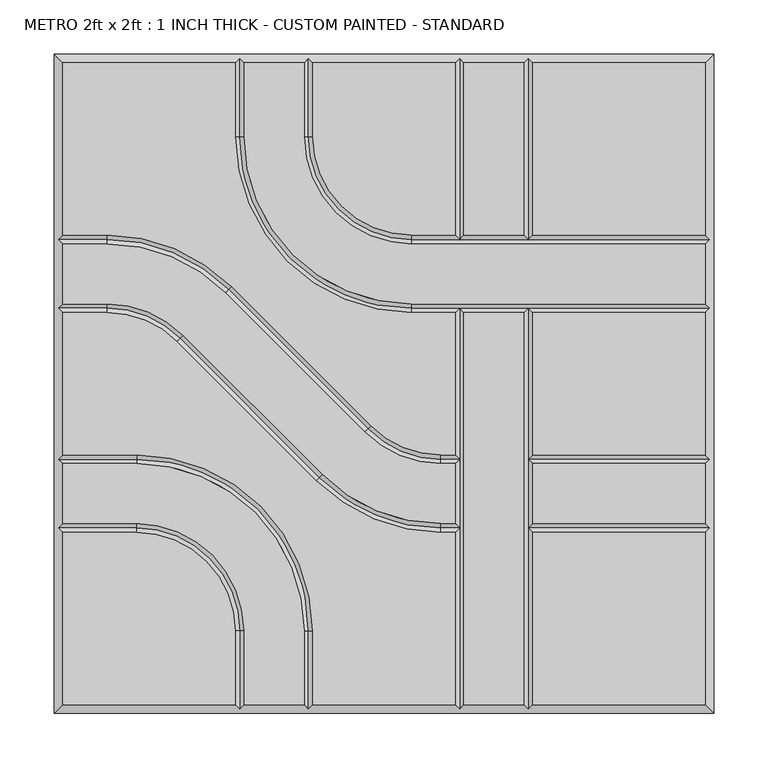
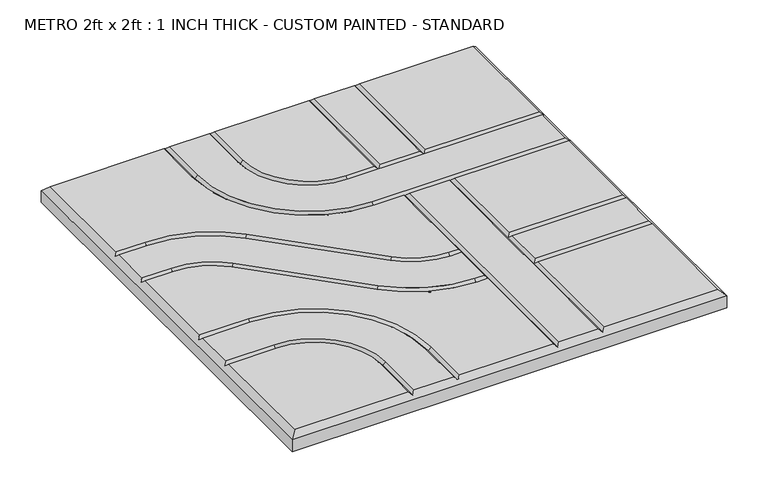
"""IFC4 building model written with IfcOpenShell, lengths in millimetres: proxy geometry, METRO 2ft x 2ft : 1 INCH THICK - CUSTOM PAINTED - STANDARD."""

from ifc_helpers import new_model, si_unit, frame, origin, place, context, project, spatial, polyline, circle_curve, source, transform, mapped, element, save
from ifc_brep_helpers import plane_surface, revolved_surface, advanced_brep


def metro_2ft_x_2ft_1_inch_thick_custom_painted_standard_62d1e21c(model_context):
    return source(origin(), model_context, "Body", "AdvancedBrep", [
        advanced_brep(
        [(-296.799, 296.799, 25.4), (-296.799, 137.3505125, 25.4), (-255.8081898, 137.3505125, 25.4), (-140.7286116, 89.6843987, 25.4), (-11.9143433, -39.124488, 25.4), (52.607449, -65.8495, 25.4), (65.8495, -65.8495, 25.4), (65.8495, 65.8494982, 25.4), (25.3995376, 65.8494982, 25.4), (-137.3509624, 228.5999982, 25.4), (-137.3509624, 296.799, 25.4), (296.799, 137.3504983, 25.4), (296.799, 296.799, 25.4), (137.3504989, 296.799, 25.4), (137.3504989, 137.3504983, 25.4), (-296.799, -137.3504992, 25.4), (-296.799, -296.799, 25.4), (-137.3505299, -296.799, 25.4), (-137.3505299, -228.5999992, 25.4), (-228.6000299, -137.3504992, 25.4), (137.3505, -296.799, 25.4), (296.799, -296.799, 25.4), (296.799, -137.3505, 25.4), (137.3505, -137.3505, 25.4), (52.607449, -73.8505, 25.4), (-17.5717865, -44.7821676, 25.4), (-146.3860548, 84.0267191, 25.4), (-255.8081898, 129.3495125, 25.4), (-296.799, 129.3495125, 25.4), (-296.799, 73.8505125, 25.4), (-255.8074396, 73.8505125, 25.4), (-185.6278585, 44.7818346, 25.4), (-56.8157432, -84.0261678, 25.4), (52.6069307, -129.3495, 25.4), (65.8495, -129.3495, 25.4), (65.8495, -73.8505, 25.4), (52.6069307, -137.3505, 25.4), (-62.4732142, -89.6838195, 25.4), (-191.2853295, 39.1241829, 25.4), (-255.8074396, 65.8495125, 25.4), (-296.799, 65.8495125, 25.4), (-296.799, -65.8494992, 25.4), (-228.6000171, -65.8494992, 25.4), (-65.8495171, -228.5999992, 25.4), (-65.8495171, -296.799, 25.4), (65.8495, -296.799, 25.4), (65.8495, -137.3505, 25.4), (-129.3495299, -228.5999992, 25.4), (-129.3495299, -296.799, 25.4), (-73.8505171, -296.799, 25.4), (-73.8505171, -228.5999992, 25.4), (-228.6000171, -73.8504992, 25.4), (-296.799, -73.8504992, 25.4), (-296.799, -129.3494992, 25.4), (-228.6000299, -129.3494992, 25.4), (-129.3499624, 296.799, 25.4), (-129.3499624, 228.5999982, 25.4), (25.3995376, 73.8504982, 25.4), (296.799, 73.8504982, 25.4), (296.799, 129.3494983, 25.4), (25.3995504, 129.3494983, 25.4), (-73.8509496, 228.5999983, 25.4), (-73.8509496, 296.799, 25.4), (-65.8499496, 296.799, 25.4), (-65.8499496, 228.5999983, 25.4), (25.3995504, 137.3504983, 25.4), (65.8494989, 137.3504983, 25.4), (65.8494989, 296.799, 25.4), (73.8504989, 296.799, 25.4), (73.8504989, 137.3504983, 25.4), (129.3494989, 137.3504983, 25.4), (129.3494989, 296.799, 25.4), (73.8505, 65.8494982, 25.4), (73.8505, -296.799, 25.4), (129.3495, -296.799, 25.4), (129.3495, 65.8494982, 25.4), (296.799, 65.8494982, 25.4), (137.3505, 65.8494982, 25.4), (137.3505, -65.8495, 25.4), (296.799, -65.8495, 25.4), (137.3505, -129.3495, 25.4), (296.799, -129.3495, 25.4), (296.799, -73.8505, 25.4), (137.3505, -73.8505, 25.4), (-304.8, 304.8, 0.0), (304.8, 304.8, 0.0), (304.8, -304.8, 0.0), (-304.8, -304.8, 0.0), (-304.8, -304.8, 17.399), (-304.8, 304.8, 17.399), (304.8, -304.8, 17.399), (304.8, 304.8, 17.399), (-133.3504624, 300.7995, 21.3995), (-69.8504496, 300.7995, 21.3995), (69.8499989, 300.7995, 21.3995), (133.3499989, 300.7995, 21.3995), (-300.7995, -133.3499992, 21.3995), (-300.7995, -69.8499992, 21.3995), (-300.7995, 69.8500125, 21.3995), (-300.7995, 133.3500125, 21.3995), (133.35, -300.7995, 21.3995), (69.85, -300.7995, 21.3995), (-69.8500171, -300.7995, 21.3995), (-133.3500299, -300.7995, 21.3995), (300.7995, 133.3499983, 21.3995), (300.7995, 69.8499982, 21.3995), (300.7995, -69.85, 21.3995), (300.7995, -133.35, 21.3995), (69.85, -69.85, 21.3995), (52.607449, -69.85, 21.3995), (-14.7430649, -41.9533278, 21.3995), (-143.5573332, 86.8555589, 21.3995), (-255.8081898, 133.3500125, 21.3995), (69.85, -133.35, 21.3995), (52.6069307, -133.35, 21.3995), (-59.6444787, -86.8549936, 21.3995), (-188.456594, 41.9530087, 21.3995), (-255.8074396, 69.8500125, 21.3995), (-133.3500299, -228.5999992, 21.3995), (-228.6000299, -133.3499992, 21.3995), (-228.6000171, -69.8499992, 21.3995), (-69.8500171, -228.5999992, 21.3995), (-133.3504624, 228.5999982, 21.3995), (25.3995376, 69.8499982, 21.3995), (69.85, 69.8499982, 21.3995), (133.35, 69.8499982, 21.3995), (-69.8504496, 228.5999983, 21.3995), (25.3995504, 133.3499983, 21.3995), (133.3499989, 133.3499983, 21.3995), (69.8499989, 133.3499983, 21.3995), (133.35, -133.35, 21.3995), (133.35, -69.85, 21.3995)],
        [
            (0, 1),
            (1, 2),
            (2, 3, circle_curve(frame((-255.8081898, -25.3999875, 25.4), z_axis=(0.0, 0.0, -1.0), x_axis=(0.7070920101993013, 0.7071215518652442, 0.0)), 162.7505)),
            (3, 4),
            (4, 5, circle_curve(frame((52.607449, 25.4, 25.4), z_axis=(0.0, 0.0, 1.0), x_axis=(0.0, -1.0, 0.0)), 91.2495)),
            (5, 6),
            (6, 7),
            (7, 8),
            (8, 9, circle_curve(frame((25.3995376, 228.5999982, 25.4), z_axis=(0.0, 0.0, -1.0), x_axis=(-1.0, 0.0, 0.0)), 162.7505)),
            (9, 10),
            (10, 0),
            (11, 12),
            (12, 13),
            (13, 14),
            (14, 11),
            (15, 16),
            (16, 17),
            (17, 18),
            (18, 19, circle_curve(frame((-228.6000299, -228.5999992, 25.4), z_axis=(0.0, 0.0, 1.0), x_axis=(1.0, 0.0, 0.0)), 91.2495)),
            (19, 15),
            (20, 21),
            (21, 22),
            (22, 23),
            (23, 20),
            (24, 25, circle_curve(frame((52.607449, 25.4, 25.4), z_axis=(0.0, 0.0, -1.0), x_axis=(0.0, -1.0, 0.0)), 99.2505)),
            (25, 26),
            (26, 27, circle_curve(frame((-255.8081898, -25.3999875, 25.4), z_axis=(0.0, 0.0, 1.0), x_axis=(0.7070920101993013, 0.7071215518652442, 0.0)), 154.7495)),
            (27, 28),
            (28, 29),
            (29, 30),
            (30, 31, circle_curve(frame((-255.8074396, -25.3999875, 25.4), z_axis=(0.0, 0.0, -1.0), x_axis=(0.7070954919838734, 0.7071180702089884, 0.0)), 99.2505)),
            (31, 32),
            (32, 33, circle_curve(frame((52.6069307, 25.4, 25.4), z_axis=(0.0, 0.0, 1.0), x_axis=(0.0, -1.0, 0.0)), 154.7495)),
            (33, 34),
            (34, 35),
            (35, 24),
            (36, 37, circle_curve(frame((52.6069307, 25.4, 25.4), z_axis=(0.0, 0.0, -1.0), x_axis=(0.0, -1.0, 0.0)), 162.7505)),
            (37, 38),
            (38, 39, circle_curve(frame((-255.8074396, -25.3999875, 25.4), z_axis=(0.0, 0.0, 1.0), x_axis=(0.7070954919838734, 0.7071180702089884, 0.0)), 91.2495)),
            (39, 40),
            (40, 41),
            (41, 42),
            (42, 43, circle_curve(frame((-228.6000171, -228.5999992, 25.4), z_axis=(0.0, 0.0, -1.0), x_axis=(0.0, 1.0, 0.0)), 162.7505)),
            (43, 44),
            (44, 45),
            (45, 46),
            (46, 36),
            (47, 48),
            (48, 49),
            (49, 50),
            (50, 51, circle_curve(frame((-228.6000171, -228.5999992, 25.4), z_axis=(0.0, 0.0, 1.0), x_axis=(0.0, 1.0, 0.0)), 154.7495)),
            (51, 52),
            (52, 53),
            (53, 54),
            (54, 47, circle_curve(frame((-228.6000299, -228.5999992, 25.4), z_axis=(0.0, 0.0, -1.0), x_axis=(1.0, 0.0, 0.0)), 99.2505)),
            (55, 56),
            (56, 57, circle_curve(frame((25.3995376, 228.5999982, 25.4), z_axis=(0.0, 0.0, 1.0), x_axis=(-1.0, 0.0, 0.0)), 154.7495)),
            (57, 58),
            (58, 59),
            (59, 60),
            (60, 61, circle_curve(frame((25.3995504, 228.5999983, 25.4), z_axis=(0.0, 0.0, -1.0), x_axis=(-1.0, 0.0, 0.0)), 99.2505)),
            (61, 62),
            (62, 55),
            (63, 64),
            (64, 65, circle_curve(frame((25.3995504, 228.5999983, 25.4), z_axis=(0.0, 0.0, 1.0), x_axis=(-1.0, 0.0, 0.0)), 91.2495)),
            (65, 66),
            (66, 67),
            (67, 63),
            (68, 69),
            (69, 70),
            (70, 71),
            (71, 68),
            (72, 73),
            (73, 74),
            (74, 75),
            (75, 72),
            (76, 77),
            (77, 78),
            (78, 79),
            (79, 76),
            (80, 81),
            (81, 82),
            (82, 83),
            (83, 80),
            (84, 85),
            (85, 86),
            (86, 87),
            (87, 84),
            (87, 88),
            (88, 89),
            (89, 84),
            (86, 90),
            (90, 88),
            (85, 91),
            (91, 90),
            (89, 91),
            (89, 0),
            (10, 92),
            (92, 55),
            (62, 93),
            (93, 63),
            (67, 94),
            (94, 68),
            (71, 95),
            (95, 13),
            (12, 91),
            (88, 16),
            (15, 96),
            (96, 53),
            (52, 97),
            (97, 41),
            (40, 98),
            (98, 29),
            (28, 99),
            (99, 1),
            (90, 21),
            (20, 100),
            (100, 74),
            (73, 101),
            (101, 45),
            (44, 102),
            (102, 49),
            (48, 103),
            (103, 17),
            (11, 104),
            (104, 59),
            (58, 105),
            (105, 76),
            (79, 106),
            (106, 82),
            (81, 107),
            (107, 22),
            (108, 109),
            (109, 24),
            (35, 108),
            (108, 6),
            (5, 109),
            (109, 110, circle_curve(frame((52.607449, 25.4, 21.3995), z_axis=(0.0, 0.0, -1.0), x_axis=(0.0, -1.0, 0.0)), 95.25)),
            (110, 25),
            (4, 110),
            (110, 111),
            (111, 26),
            (3, 111),
            (111, 112, circle_curve(frame((-255.8081898, -25.3999875, 21.3995), z_axis=(0.0, 0.0, 1.0), x_axis=(0.7070920101993013, 0.7071215518652442, 0.0)), 158.75)),
            (112, 27),
            (2, 112),
            (112, 99),
            (113, 114),
            (114, 36),
            (46, 113),
            (113, 34),
            (33, 114),
            (114, 115, circle_curve(frame((52.6069307, 25.4, 21.3995), z_axis=(0.0, 0.0, -1.0), x_axis=(0.0, -1.0, 0.0)), 158.75)),
            (115, 37),
            (32, 115),
            (115, 116),
            (116, 38),
            (31, 116),
            (116, 117, circle_curve(frame((-255.8074396, -25.3999875, 21.3995), z_axis=(0.0, 0.0, 1.0), x_axis=(0.7070954919838734, 0.7071180702089884, 0.0)), 95.25)),
            (117, 39),
            (30, 117),
            (117, 98),
            (118, 18),
            (103, 118),
            (47, 118),
            (118, 119, circle_curve(frame((-228.6000299, -228.5999992, 21.3995), z_axis=(0.0, 0.0, 1.0), x_axis=(1.0, 0.0, 0.0)), 95.25)),
            (119, 19),
            (54, 119),
            (119, 96),
            (120, 42),
            (97, 120),
            (51, 120),
            (120, 121, circle_curve(frame((-228.6000171, -228.5999992, 21.3995), z_axis=(0.0, 0.0, -1.0), x_axis=(0.0, 1.0, 0.0)), 158.75)),
            (121, 43),
            (50, 121),
            (121, 102),
            (122, 56),
            (92, 122),
            (9, 122),
            (122, 123, circle_curve(frame((25.3995376, 228.5999982, 21.3995), z_axis=(0.0, 0.0, 1.0), x_axis=(-1.0, 0.0, 0.0)), 158.75)),
            (123, 57),
            (8, 123),
            (123, 124),
            (124, 125),
            (125, 105),
            (125, 77),
            (7, 124),
            (124, 72),
            (75, 125),
            (126, 64),
            (93, 126),
            (61, 126),
            (126, 127, circle_curve(frame((25.3995504, 228.5999983, 21.3995), z_axis=(0.0, 0.0, 1.0), x_axis=(-1.0, 0.0, 0.0)), 95.25)),
            (127, 65),
            (60, 127),
            (14, 128),
            (128, 104),
            (127, 129),
            (129, 66),
            (69, 129),
            (129, 128),
            (128, 70),
            (129, 94),
            (128, 95),
            (108, 124),
            (113, 108),
            (101, 113),
            (100, 130),
            (130, 131),
            (131, 125),
            (23, 130),
            (131, 78),
            (130, 80),
            (83, 131),
            (107, 130),
            (106, 131),
        ],
        [
            plane_surface(frame((-304.8, 304.8, 25.4), z_axis=(0.0, 0.0, 1.0), x_axis=(0.0, -1.0, 0.0))),
            plane_surface(frame((-304.8, 304.8, 0.0), z_axis=(0.0, 0.0, -1.0), x_axis=(0.0, 1.0, 0.0))),
            plane_surface(frame((-304.8, 304.8, 25.4), z_axis=(-1.0, 0.0, 0.0), x_axis=(0.0, 0.0, -1.0))),
            plane_surface(frame((-304.8, -304.8, 25.4), z_axis=(0.0, -1.0, 0.0), x_axis=(0.0, 0.0, -1.0))),
            plane_surface(frame((304.8, -304.8, 25.4), z_axis=(1.0, 0.0, 0.0), x_axis=(0.0, 0.0, -1.0))),
            plane_surface(frame((304.8, 304.8, 25.4), z_axis=(0.0, 1.0, 0.0), x_axis=(0.0, 0.0, -1.0))),
            plane_surface(frame((296.799, 296.799, 25.4), z_axis=(0.0, 0.707106781186547, 0.7071067811865481), x_axis=(-1.0, 0.0, 0.0))),
            plane_surface(frame((-296.799, 296.799, 25.4), z_axis=(-0.707106781186547, 0.0, 0.7071067811865481), x_axis=(0.0, -1.0, 0.0))),
            plane_surface(frame((-296.799, -296.799, 25.4), z_axis=(0.0, -0.707106781186547, 0.7071067811865481), x_axis=(1.0, 0.0, 0.0))),
            plane_surface(frame((296.799, -296.799, 25.4), z_axis=(0.707106781186547, 0.0, 0.7071067811865481), x_axis=(0.0, 1.0, 0.0))),
            plane_surface(frame((69.85, -73.8505, 25.4), z_axis=(0.0, 0.707106781186547, 0.7071067811865482), x_axis=(-1.0, 0.0, 0.0))),
            plane_surface(frame((69.85, -69.85, 21.3995), z_axis=(0.0, -0.707106781186547, 0.7071067811865482), x_axis=(-1.0, 0.0, 0.0))),
            revolved_surface(polyline([(52.607449, -69.85, 21.3995), (52.607449, -73.8505, 25.4)]), (52.607449, 25.4, 25.4), (0.0, 0.0, -1.0)),
            revolved_surface(polyline([(52.607449, -65.8495, 25.4), (52.607449, -69.85, 21.3995)]), (52.607449, 25.4, 25.4), (0.0, 0.0, -1.0)),
            plane_surface(frame((-17.5717865, -44.7821676, 25.4), z_axis=(0.499989555334753, 0.5000104444470689, 0.707106781186548), x_axis=(-0.7071215518652443, 0.7070920101993012, 0.0))),
            plane_surface(frame((-14.7430649, -41.9533278, 21.3995), z_axis=(-0.499989555334753, -0.5000104444470688, 0.7071067811865481), x_axis=(-0.7071215518652442, 0.7070920101993012, 0.0))),
            revolved_surface(polyline([(-143.5573332, 86.8555589, 21.3995), (-146.3860548, 84.0267191, 25.4)]), (-255.8081898, -25.3999875, 25.4), (0.0, 0.0, 1.0)),
            revolved_surface(polyline([(-140.7286116, 89.6843987, 25.4), (-143.5573332, 86.8555589, 21.3995)]), (-255.8081898, -25.3999875, 25.4), (0.0, 0.0, 1.0)),
            plane_surface(frame((-255.8081898, 129.3495125, 25.4), z_axis=(0.0, 0.707106781186547, 0.7071067811865481), x_axis=(-1.0, 0.0, 0.0))),
            plane_surface(frame((-255.8081898, 133.3500125, 21.3995), z_axis=(0.0, -0.707106781186547, 0.7071067811865481), x_axis=(-1.0, 0.0, 0.0))),
            plane_surface(frame((69.85, -137.3505, 25.4), z_axis=(0.0, 0.707106781186547, 0.707106781186548), x_axis=(-1.0, 0.0, 0.0))),
            plane_surface(frame((69.85, -133.35, 21.3995), z_axis=(0.0, -0.707106781186547, 0.707106781186548), x_axis=(-1.0, 0.0, 0.0))),
            revolved_surface(polyline([(52.6069307, -133.35, 21.3995), (52.6069307, -137.3505, 25.4)]), (52.6069307, 25.4, 25.4), (0.0, 0.0, -1.0)),
            revolved_surface(polyline([(52.6069307, -129.3495, 25.4), (52.6069307, -133.35, 21.3995)]), (52.6069307, 25.4, 25.4), (0.0, 0.0, -1.0)),
            plane_surface(frame((-62.4732142, -89.6838195, 25.4), z_axis=(0.4999920173282346, 0.5000079825443209, 0.7071067811865481), x_axis=(-0.7071180702089888, 0.7070954919838733, 0.0))),
            plane_surface(frame((-59.6444787, -86.8549936, 21.3995), z_axis=(-0.4999920173282346, -0.5000079825443209, 0.7071067811865481), x_axis=(-0.7071180702089888, 0.7070954919838733, 0.0))),
            revolved_surface(polyline([(-188.456594, 41.9530087, 21.3995), (-191.2853295, 39.1241829, 25.4)]), (-255.8074396, -25.3999875, 25.4), (0.0, 0.0, 1.0)),
            revolved_surface(polyline([(-185.6278585, 44.7818346, 25.4), (-188.456594, 41.9530087, 21.3995)]), (-255.8074396, -25.3999875, 25.4), (0.0, 0.0, 1.0)),
            plane_surface(frame((-255.8074396, 65.8495125, 25.4), z_axis=(0.0, 0.707106781186547, 0.7071067811865481), x_axis=(-1.0, 0.0, 0.0))),
            plane_surface(frame((-255.8074396, 69.8500125, 21.3995), z_axis=(0.0, -0.707106781186547, 0.7071067811865481), x_axis=(-1.0, 0.0, 0.0))),
            plane_surface(frame((-137.3505299, -304.8, 25.4), z_axis=(0.707106781186547, 0.0, 0.7071067811865481), x_axis=(0.0, 1.0, 0.0))),
            plane_surface(frame((-133.3500299, -304.8, 21.3995), z_axis=(-0.707106781186547, 0.0, 0.7071067811865481), x_axis=(0.0, 1.0, 0.0))),
            revolved_surface(polyline([(-133.3500299, -228.5999992, 21.3995), (-137.3505299, -228.5999992, 25.4)]), (-228.6000299, -228.5999992, 25.4), (0.0, 0.0, 1.0)),
            revolved_surface(polyline([(-129.3495299, -228.5999992, 25.4), (-133.3500299, -228.5999992, 21.3995)]), (-228.6000299, -228.5999992, 25.4), (0.0, 0.0, 1.0)),
            plane_surface(frame((-228.6000299, -137.3504992, 25.4), z_axis=(0.0, 0.707106781186547, 0.7071067811865481), x_axis=(-1.0, 0.0, 0.0))),
            plane_surface(frame((-228.6000299, -133.3499992, 21.3995), z_axis=(0.0, -0.707106781186547, 0.7071067811865481), x_axis=(-1.0, 0.0, 0.0))),
            plane_surface(frame((-304.8, -65.8494992, 25.4), z_axis=(0.0, -0.707106781186547, 0.7071067811865481), x_axis=(1.0, 0.0, 0.0))),
            plane_surface(frame((-304.8, -69.8499992, 21.3995), z_axis=(0.0, 0.707106781186547, 0.7071067811865481), x_axis=(1.0, 0.0, 0.0))),
            revolved_surface(polyline([(-228.6000171, -69.8499992, 21.3995), (-228.6000171, -65.8494992, 25.4)]), (-228.6000171, -228.5999992, 25.4), (0.0, 0.0, -1.0)),
            revolved_surface(polyline([(-228.6000171, -73.8504992, 25.4), (-228.6000171, -69.8499992, 21.3995)]), (-228.6000171, -228.5999992, 25.4), (0.0, 0.0, -1.0)),
            plane_surface(frame((-65.8495171, -228.5999992, 25.4), z_axis=(-0.707106781186547, 0.0, 0.7071067811865481), x_axis=(0.0, -1.0, 0.0))),
            plane_surface(frame((-69.8500171, -228.5999992, 21.3995), z_axis=(0.707106781186547, 0.0, 0.7071067811865481), x_axis=(0.0, -1.0, 0.0))),
            plane_surface(frame((-129.3499624, 304.8, 25.4), z_axis=(-0.707106781186547, 0.0, 0.7071067811865481), x_axis=(0.0, -1.0, 0.0))),
            plane_surface(frame((-133.3504624, 304.8, 21.3995), z_axis=(0.707106781186547, 0.0, 0.7071067811865481), x_axis=(0.0, -1.0, 0.0))),
            revolved_surface(polyline([(-133.3504624, 228.5999982, 21.3995), (-129.3499624, 228.5999982, 25.4)]), (25.3995376, 228.5999982, 25.4), (0.0, 0.0, 1.0)),
            revolved_surface(polyline([(-137.3509624, 228.5999982, 25.4), (-133.3504624, 228.5999982, 21.3995)]), (25.3995376, 228.5999982, 25.4), (0.0, 0.0, 1.0)),
            plane_surface(frame((25.3995376, 73.8504982, 25.4), z_axis=(0.0, -0.707106781186547, 0.7071067811865481), x_axis=(1.0, 0.0, 0.0))),
            plane_surface(frame((25.3995376, 69.8499982, 21.3995), z_axis=(0.0, 0.707106781186547, 0.7071067811865481), x_axis=(1.0, 0.0, 0.0))),
            plane_surface(frame((-65.8499496, 304.8, 25.4), z_axis=(-0.707106781186547, 0.0, 0.7071067811865481), x_axis=(0.0, -1.0, 0.0))),
            plane_surface(frame((-69.8504496, 304.8, 21.3995), z_axis=(0.707106781186547, 0.0, 0.7071067811865481), x_axis=(0.0, -1.0, 0.0))),
            revolved_surface(polyline([(-69.8504496, 228.5999983, 21.3995), (-65.8499496, 228.5999983, 25.4)]), (25.3995504, 228.5999983, 25.4), (0.0, 0.0, 1.0)),
            revolved_surface(polyline([(-73.8509496, 228.5999983, 25.4), (-69.8504496, 228.5999983, 21.3995)]), (25.3995504, 228.5999983, 25.4), (0.0, 0.0, 1.0)),
            plane_surface(frame((25.3995504, 137.3504983, 25.4), z_axis=(0.0, -0.707106781186547, 0.7071067811865481), x_axis=(1.0, 0.0, 0.0))),
            plane_surface(frame((25.3995504, 133.3499983, 21.3995), z_axis=(0.0, 0.707106781186547, 0.7071067811865481), x_axis=(1.0, 0.0, 0.0))),
            plane_surface(frame((65.8494989, 133.35, 25.4), z_axis=(0.707106781186547, 0.0, 0.7071067811865481), x_axis=(0.0, 1.0, 0.0))),
            plane_surface(frame((69.8499989, 133.35, 21.3995), z_axis=(-0.707106781186547, 0.0, 0.7071067811865481), x_axis=(0.0, 1.0, 0.0))),
            plane_surface(frame((129.3494989, 133.35, 25.4), z_axis=(0.707106781186547, 0.0, 0.7071067811865481), x_axis=(0.0, 1.0, 0.0))),
            plane_surface(frame((133.3499989, 133.35, 21.3995), z_axis=(-0.707106781186547, 0.0, 0.7071067811865481), x_axis=(0.0, 1.0, 0.0))),
            plane_surface(frame((65.8495, -304.8, 25.4), z_axis=(0.707106781186547, 0.0, 0.7071067811865481), x_axis=(0.0, 1.0, 0.0))),
            plane_surface(frame((69.85, -304.8, 21.3995), z_axis=(-0.707106781186547, 0.0, 0.7071067811865481), x_axis=(0.0, 1.0, 0.0))),
            plane_surface(frame((129.3495, -304.8, 25.4), z_axis=(0.707106781186547, 0.0, 0.7071067811865481), x_axis=(0.0, 1.0, 0.0))),
            plane_surface(frame((133.35, -304.8, 21.3995), z_axis=(-0.707106781186547, 0.0, 0.7071067811865481), x_axis=(0.0, 1.0, 0.0))),
            plane_surface(frame((304.8, -137.3505, 25.4), z_axis=(0.0, 0.707106781186547, 0.7071067811865481), x_axis=(-1.0, 0.0, 0.0))),
            plane_surface(frame((304.8, -133.35, 21.3995), z_axis=(0.0, -0.707106781186547, 0.7071067811865481), x_axis=(-1.0, 0.0, 0.0))),
            plane_surface(frame((304.8, -73.8505, 25.4), z_axis=(0.0, 0.707106781186547, 0.7071067811865481), x_axis=(-1.0, 0.0, 0.0))),
            plane_surface(frame((304.8, -69.85, 21.3995), z_axis=(0.0, -0.707106781186547, 0.7071067811865481), x_axis=(-1.0, 0.0, 0.0))),
        ],
        [
            (0, [[1, 2, 3, 4, 5, 6, 7, 8, 9, 10, 11]]),
            (0, [[12, 13, 14, 15]]),
            (0, [[16, 17, 18, 19, 20]]),
            (0, [[21, 22, 23, 24]]),
            (0, [[25, 26, 27, 28, 29, 30, 31, 32, 33, 34, 35, 36]]),
            (0, [[37, 38, 39, 40, 41, 42, 43, 44, 45, 46, 47]]),
            (0, [[48, 49, 50, 51, 52, 53, 54, 55]]),
            (0, [[56, 57, 58, 59, 60, 61, 62, 63]]),
            (0, [[64, 65, 66, 67, 68]]),
            (0, [[69, 70, 71, 72]]),
            (0, [[73, 74, 75, 76]]),
            (0, [[77, 78, 79, 80]]),
            (0, [[81, 82, 83, 84]]),
            (1, [[85, 86, 87, 88]]),
            (2, [[-88, 89, 90, 91]]),
            (3, [[-87, 92, 93, -89]]),
            (4, [[-86, 94, 95, -92]]),
            (5, [[-85, -91, 96, -94]]),
            (6, [[97, -11, 98, 99, -63, 100, 101, -68, 102, 103, -72, 104, 105, -13, 106, -96]]),
            (7, [[-97, -90, 107, -16, 108, 109, -53, 110, 111, -41, 112, 113, -29, 114, 115, -1]]),
            (8, [[-107, -93, 116, -21, 117, 118, -74, 119, 120, -45, 121, 122, -49, 123, 124, -17]]),
            (9, [[-106, -12, 125, 126, -59, 127, 128, -80, 129, 130, -82, 131, 132, -22, -116, -95]]),
            (10, [[133, 134, -36, 135]]),
            (11, [[-133, 136, -6, 137]]),
            (12, [[-134, 138, 139, -25]]),
            (13, [[-137, -5, 140, -138]]),
            (14, [[-139, 141, 142, -26]]),
            (15, [[-140, -4, 143, -141]]),
            (16, [[-142, 144, 145, -27]]),
            (17, [[-143, -3, 146, -144]]),
            (18, [[-145, 147, -114, -28]]),
            (19, [[-146, -2, -115, -147]]),
            (20, [[148, 149, -47, 150]]),
            (21, [[-148, 151, -34, 152]]),
            (22, [[-149, 153, 154, -37]]),
            (23, [[-152, -33, 155, -153]]),
            (24, [[-154, 156, 157, -38]]),
            (25, [[-155, -32, 158, -156]]),
            (26, [[-157, 159, 160, -39]]),
            (27, [[-158, -31, 161, -159]]),
            (28, [[-160, 162, -112, -40]]),
            (29, [[-161, -30, -113, -162]]),
            (30, [[163, -18, -124, 164]]),
            (31, [[165, -164, -123, -48]]),
            (32, [[-163, 166, 167, -19]]),
            (33, [[-165, -55, 168, -166]]),
            (34, [[-167, 169, -108, -20]]),
            (35, [[-168, -54, -109, -169]]),
            (36, [[170, -42, -111, 171]]),
            (37, [[172, -171, -110, -52]]),
            (38, [[-170, 173, 174, -43]]),
            (39, [[-172, -51, 175, -173]]),
            (40, [[-174, 176, -121, -44]]),
            (41, [[-175, -50, -122, -176]]),
            (42, [[177, -56, -99, 178]]),
            (43, [[179, -178, -98, -10]]),
            (44, [[-177, 180, 181, -57]]),
            (45, [[-179, -9, 182, -180]]),
            (46, [[-181, 183, 184, 185, -127, -58]]),
            (47, [[-128, -185, 186, -77]]),
            (47, [[-182, -8, 187, -183]]),
            (47, [[188, -76, 189, -184]]),
            (48, [[190, -64, -101, 191]]),
            (49, [[192, -191, -100, -62]]),
            (50, [[-190, 193, 194, -65]]),
            (51, [[-192, -61, 195, -193]]),
            (52, [[-125, -15, 196, 197]]),
            (52, [[-194, 198, 199, -66]]),
            (52, [[200, 201, 202, -70]]),
            (53, [[-195, -60, -126, -197, -201, -198]]),
            (54, [[203, -102, -67, -199]]),
            (55, [[-203, -200, -69, -103]]),
            (56, [[204, -104, -71, -202]]),
            (57, [[-204, -196, -14, -105]]),
            (58, [[205, -187, -7, -136]]),
            (58, [[206, -135, -35, -151]]),
            (58, [[207, -150, -46, -120]]),
            (59, [[-205, -206, -207, -119, -73, -188]]),
            (60, [[-75, -118, 208, 209, 210, -189]]),
            (61, [[-117, -24, 211, -208]]),
            (61, [[-186, -210, 212, -78]]),
            (61, [[213, -84, 214, -209]]),
            (62, [[215, -211, -23, -132]]),
            (63, [[-215, -131, -81, -213]]),
            (64, [[216, -214, -83, -130]]),
            (65, [[-216, -129, -79, -212]]),
        ],
    ),
    ])


if __name__ == "__main__":
    model = new_model("IFC4")
    model_context = context("Model", 3, world=origin())
    ifc_project = project(units=[si_unit("LENGTHUNIT", "METRE", prefix="MILLI")], contexts=[model_context])
    site = spatial("IfcSite", under=ifc_project)
    building = spatial("IfcBuilding", under=site)
    placement = place(None, origin())
    metro_2ft_x_2ft_1_inch_thick_custom_painted_standard_shape = metro_2ft_x_2ft_1_inch_thick_custom_painted_standard_62d1e21c(model_context)
    element("IfcBuildingElementProxy", 1, Name="METRO 2ft x 2ft : 1 INCH THICK - CUSTOM PAINTED - STANDARD", ObjectType="METRO 2ft x 2ft : 1 INCH THICK - CUSTOM PAINTED - STANDARD", at=placement, inside=building, context=model_context, shape_type="MappedRepresentation", body=[
        mapped(metro_2ft_x_2ft_1_inch_thick_custom_painted_standard_shape, transform((0.0, 0.0, 0.0), x_axis=(1.0, 0.0, 0.0), y_axis=(0.0, 1.0, 0.0), z_axis=(0.0, 0.0, 1.0))),
    ])
    save(model, "model.ifc")
